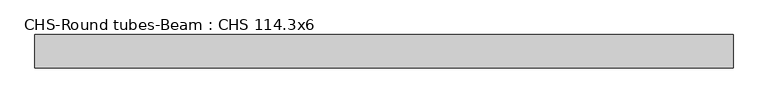
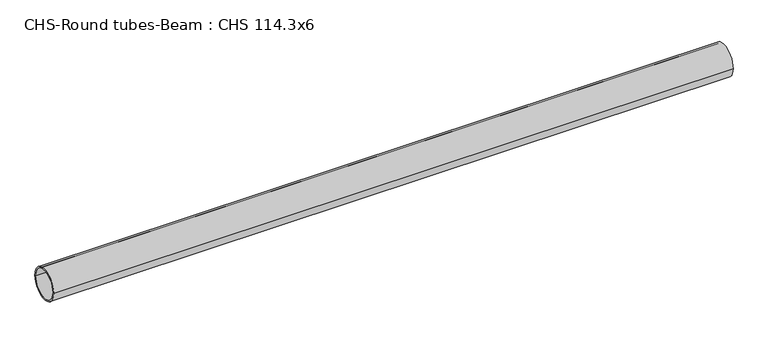
"""IFC4 building model written with IfcOpenShell, lengths in millimetres: beam geometry, CHS-Round tubes-Beam : CHS 114.3x6."""

from ifc_helpers import new_model, si_unit, point, frame, origin, origin_2d, place, context, project, spatial, circle_curve, trimmed, segment, composite_curve, outline, extrude, source, transform, mapped, element, save


def chs_round_tubes_beam_chs_114_3x6_1dcd1cc0(model_context):
    return source(origin(), model_context, "Body", "SweptSolid", [
        extrude(outline(composite_curve([segment(trimmed(circle_curve(origin_2d(), 57.15), [point((57.15, 0.0))], [point((-57.15, 0.0))], False, "CARTESIAN"), True, "CONTINUOUS"), segment(trimmed(circle_curve(origin_2d(), 57.15), [point((-57.15, 0.0))], [point((57.15, 0.0))], False, "CARTESIAN"), True, "CONTINUOUS")], self_intersect=False), holes=[composite_curve([segment(trimmed(circle_curve(origin_2d(), 51.15), [point((51.15, 0.0))], [point((-51.15, 0.0))], True, "CARTESIAN"), True, "CONTINUOUS"), segment(trimmed(circle_curve(origin_2d(), 51.15), [point((-51.15, 0.0))], [point((51.15, 0.0))], True, "CARTESIAN"), True, "CONTINUOUS")], self_intersect=False)]), frame((-1186.7623568, 0.0, 0.0), z_axis=(1.0, 0.0, 0.0), x_axis=(0.0, 1.0, 0.0)), (0.0, 0.0, 1.0), 2396.8410136),
    ])


if __name__ == "__main__":
    model = new_model("IFC4")
    model_context = context("Model", 3, world=origin())
    ifc_project = project(units=[si_unit("LENGTHUNIT", "METRE", prefix="MILLI")], contexts=[model_context])
    site = spatial("IfcSite", under=ifc_project)
    building = spatial("IfcBuilding", under=site)
    placement = place(None, origin())
    chs_round_tubes_beam_chs_114_3x6_shape = chs_round_tubes_beam_chs_114_3x6_1dcd1cc0(model_context)
    element("IfcBeam", 1, ObjectType="CHS-Round tubes-Beam : CHS 114.3x6", at=placement, inside=building, context=model_context, shape_type="MappedRepresentation", body=[
        mapped(chs_round_tubes_beam_chs_114_3x6_shape, transform((0.0, 0.0, 0.0), x_axis=(1.0, 0.0, 0.0), y_axis=(0.0, 1.0, 0.0), z_axis=(0.0, 0.0, 1.0))),
    ])
    save(model, "model.ifc")
